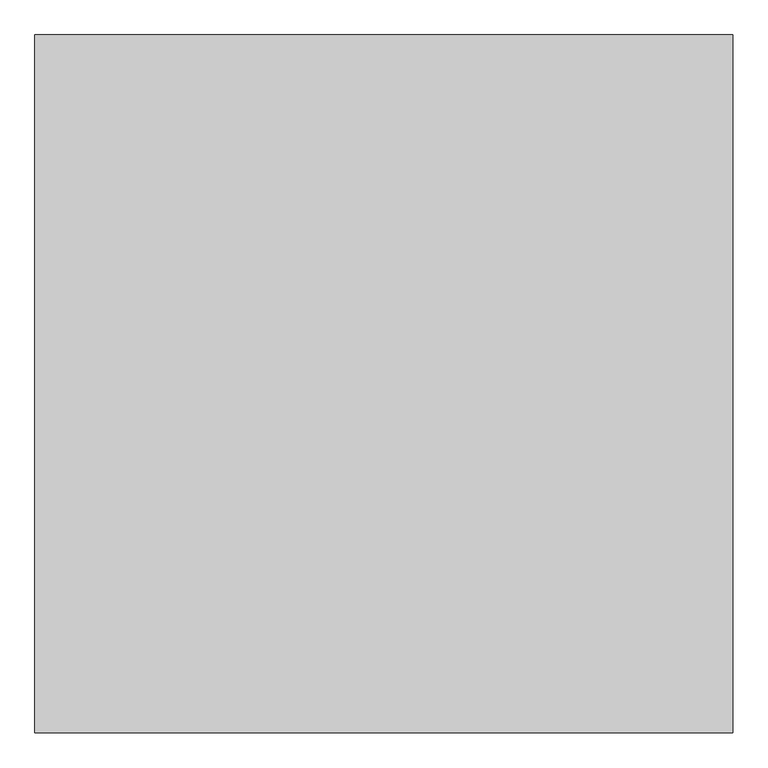
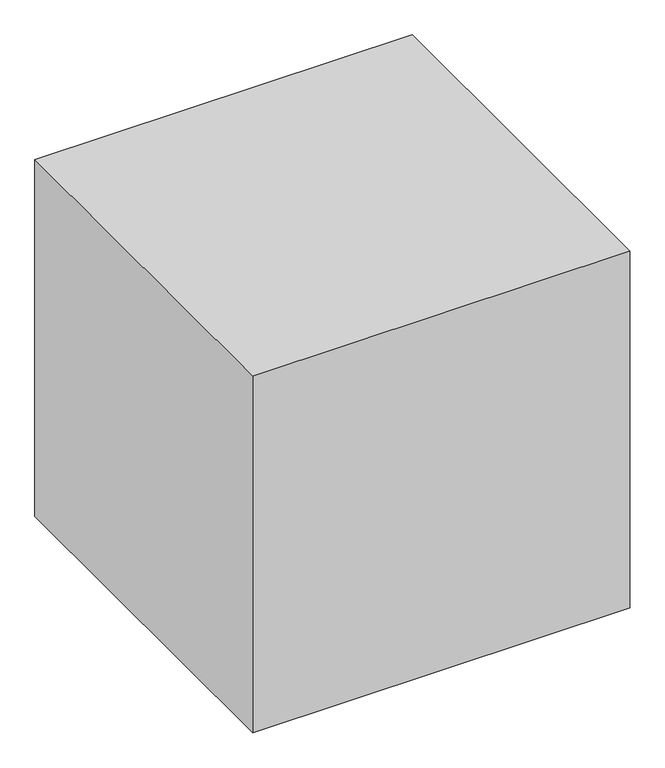
"""IFC4 building model written with IfcOpenShell, lengths in millimetres: proxy geometry."""

from ifc_helpers import new_model, si_unit, origin, origin_with_axes, place, context, project, spatial, polyline, outline, extrude, source, transform, mapped, element, save


def generic_models_889d01d1(model_context):
    return source(origin(), model_context, "Body", "SweptSolid", [
        extrude(outline(polyline([(762.0, 762.0), (762.0, -762.0), (-762.0, -762.0), (-762.0, 762.0), (762.0, 762.0)])), origin_with_axes(), (0.0, 0.0, 1.0), 1524.0),
    ])


if __name__ == "__main__":
    model = new_model("IFC4")
    model_context = context("Model", 3, world=origin())
    ifc_project = project(units=[si_unit("LENGTHUNIT", "METRE", prefix="MILLI")], contexts=[model_context])
    site = spatial("IfcSite", under=ifc_project)
    building = spatial("IfcBuilding", under=site)
    placement = place(None, origin())
    generic_models_shape = generic_models_889d01d1(model_context)
    element("IfcBuildingElementProxy", 1, Name="Generic Models", at=placement, inside=building, context=model_context, shape_type="MappedRepresentation", body=[
        mapped(generic_models_shape, transform((0.0, 0.0, 0.0), x_axis=(1.0, 0.0, 0.0), y_axis=(0.0, 1.0, 0.0), z_axis=(0.0, 0.0, 1.0))),
    ])
    save(model, "model.ifc")
